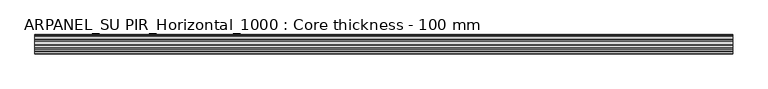
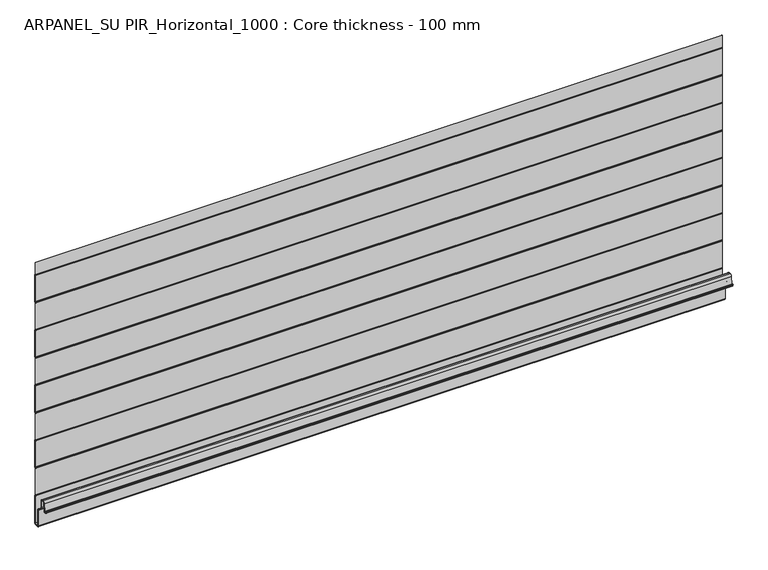
"""IFC4 building model written with IfcOpenShell, lengths in millimetres: plate geometry, ARPANEL_SU PIR_Horizontal_1000 : Core thickness - 100 mm."""

import ifcopenshell
import ifcopenshell.guid

model = None  # the IFC model being written
_history = None  # IfcOwnerHistory: only IFC2X3 demands one
_inside = {}  # id of a spatial element -> (the spatial element, [elements in it])
_under = {}  # id of a project, library or spatial element -> (it, [spatial elements below it])
_declared = {}  # id of a project -> (the project, [libraries it declares])
_typed = {}  # id of a type object -> (the type object, [elements of that type])
_made_of = {}  # id of a material, layer set ... -> (it, [elements and type objects made of it])


def new_model(schema):
    """Start an empty IFC model of exactly this schema.

    Asked for "IFC4X3", IfcOpenShell would pick the latest addendum, in which some entities
    have other attributes; the version numbers below select the first issue.
    IFC2X3 requires an IfcOwnerHistory on every rooted entity: one is made here for all.
    """
    global model, _history
    if schema == "IFC4X3":
        model = ifcopenshell.file(schema_version=(4, 3, 0, 0))
    else:
        model = ifcopenshell.file(schema=schema)
    _inside.clear()
    _under.clear()
    _declared.clear()
    _typed.clear()
    _made_of.clear()
    _history = None
    if model.schema == "IFC2X3":
        org = make("IfcOrganization", Name="unknown")
        user = make(
            "IfcPersonAndOrganization",
            ThePerson=make("IfcPerson", FamilyName="unknown"),
            TheOrganization=org,
        )
        app = make(
            "IfcApplication",
            ApplicationDeveloper=org,
            Version="unknown",
            ApplicationFullName="unknown",
            ApplicationIdentifier="unknown",
        )
        _history = make(
            "IfcOwnerHistory",
            OwningUser=user,
            OwningApplication=app,
            ChangeAction="ADDED",
            CreationDate=0,
        )
    return model


def make(cls, **values):
    """One entity of the class cls with the attributes given. An attribute that is None is left unset."""
    return model.create_entity(
        cls, **{name: value for name, value in values.items() if value is not None}
    )


def rooted(cls, **values):
    """An entity with a GlobalId (a new one), such as an element, a storey or a relation."""
    return make(cls, GlobalId=ifcopenshell.guid.new(), OwnerHistory=_history, **values)


def si_unit(unit_type, name, prefix=None):
    """IfcSIUnit, for example si_unit("LENGTHUNIT", "METRE", prefix="MILLI")."""
    return make("IfcSIUnit", UnitType=unit_type, Prefix=prefix, Name=name)


def assignment(units):
    """IfcUnitAssignment: the units of a project."""
    return None if units is None else make("IfcUnitAssignment", Units=units)


def point(xyz):
    """IfcCartesianPoint."""
    return None if xyz is None else make("IfcCartesianPoint", Coordinates=xyz)


def direction(xyz):
    """IfcDirection."""
    return None if xyz is None else make("IfcDirection", DirectionRatios=xyz)


def frame(location, z_axis=None, x_axis=None):
    """IfcAxis2Placement3D, a coordinate frame: its origin and axes. An axis left out is left unset."""
    return make(
        "IfcAxis2Placement3D",
        Location=point(location),
        Axis=direction(z_axis),
        RefDirection=direction(x_axis),
    )


def origin():
    """The frame at (0, 0, 0) with its axes left unset."""
    return frame((0.0, 0.0, 0.0))


def place(relative_to, where):
    """IfcLocalPlacement: puts the frame where relative to a parent placement (None: the world)."""
    return make(
        "IfcLocalPlacement", PlacementRelTo=relative_to, RelativePlacement=where
    )


def context(
    kind, dimensions, precision=None, world=None, true_north=None, identifier=None
):
    """IfcGeometricRepresentationContext, for example the 3D "Model" context."""
    return make(
        "IfcGeometricRepresentationContext",
        ContextIdentifier=identifier,
        ContextType=kind,
        CoordinateSpaceDimension=dimensions,
        Precision=precision,
        WorldCoordinateSystem=world,
        TrueNorth=true_north,
    )


def project(units=None, contexts=None):
    """IfcProject with its units and contexts."""
    return rooted(
        "IfcProject",
        Name="project",
        RepresentationContexts=contexts,
        UnitsInContext=assignment(units),
    )


def spatial(cls, under=None, at=None, **own):
    """A site, building, storey or space (cls), placed at a placement, below another one or the project."""
    s = rooted(cls, ObjectPlacement=at, **own)
    if under is not None:
        _under.setdefault(under.id(), (under, []))[1].append(s)
    return s


def polyline(points):
    """IfcPolyline through the points."""
    return make("IfcPolyline", Points=[point(p) for p in points])


def circle_curve(where, radius):
    """IfcCircle in the frame where."""
    return make("IfcCircle", Position=where, Radius=radius)


def shape(context_of_items, identifier, shape_type, items):
    """IfcShapeRepresentation: the items that make up one representation, for example the "Body"."""
    return make(
        "IfcShapeRepresentation",
        ContextOfItems=context_of_items,
        RepresentationIdentifier=identifier,
        RepresentationType=shape_type,
        Items=items,
    )


def source(mapping_origin, context_of_items, identifier, shape_type, items):
    """IfcRepresentationMap: a shape defined once, which mapped items show again and again."""
    return make(
        "IfcRepresentationMap",
        MappingOrigin=mapping_origin,
        MappedRepresentation=shape(context_of_items, identifier, shape_type, items),
    )


def transform(
    local_origin,
    x_axis=None,
    y_axis=None,
    z_axis=None,
    scale=None,
    scale2=None,
    scale3=None,
    uniform=True,
):
    """IfcCartesianTransformationOperator3D, or its non-uniform kind. x_axis, y_axis, z_axis: its Axis1, 2, 3."""
    if uniform:
        return make(
            "IfcCartesianTransformationOperator3D",
            Axis1=direction(x_axis),
            Axis2=direction(y_axis),
            LocalOrigin=point(local_origin),
            Scale=scale,
            Axis3=direction(z_axis),
        )
    return make(
        "IfcCartesianTransformationOperator3DnonUniform",
        Axis1=direction(x_axis),
        Axis2=direction(y_axis),
        LocalOrigin=point(local_origin),
        Scale=scale,
        Axis3=direction(z_axis),
        Scale2=scale2,
        Scale3=scale3,
    )


def mapped(mapping_source, mapping_target):
    """IfcMappedItem: shows the shape of a source again, moved by a transform."""
    return make(
        "IfcMappedItem", MappingSource=mapping_source, MappingTarget=mapping_target
    )


def made_of(thing, what):
    """Note that an element or type object is made of a material, layer set ...; save() writes the relation."""
    if what is not None:
        _made_of.setdefault(what.id(), (what, []))[1].append(thing)
    return thing


def element(
    cls,
    number,
    at=None,
    inside=None,
    cuts=None,
    type_object=None,
    material=None,
    context=None,
    identifier="Body",
    shape_type=None,
    held_by="IfcProductDefinitionShape",
    body=None,
    shapes=None,
    **own,
):
    """One element of the class cls, such as IfcWall. Its Tag is "e" and its number.

    at: its placement. inside: the storey or other place that contains it. cuts: it is an
    opening in that element (IfcRelVoidsElement). A single representation is given by context,
    identifier, shape_type and body (its items); several are given by shapes. held_by: the class
    of the entity that holds the representations. save() writes the other relations.
    """
    e = rooted(cls, Tag="e%d" % number, ObjectPlacement=at, **own)
    if body is not None:
        shapes = [shape(context, identifier, shape_type, body)]
    if shapes is not None:
        e.Representation = make(held_by, Representations=shapes)
    if inside is not None:
        _inside.setdefault(inside.id(), (inside, []))[1].append(e)
    if cuts is not None:
        rooted(
            "IfcRelVoidsElement", RelatingBuildingElement=cuts, RelatedOpeningElement=e
        )
    if type_object is not None:
        _typed.setdefault(type_object.id(), (type_object, []))[1].append(e)
    return made_of(e, material)


def aggregate(whole, parts):
    """IfcRelAggregates: a whole, such as a stair, and the parts it consists of."""
    return rooted("IfcRelAggregates", RelatingObject=whole, RelatedObjects=parts)


def save(model, path):
    """Write the relations noted so far, then the file.

    IfcRelAggregates (storeys below a building ...), IfcRelContainedInSpatialStructure (elements
    in a storey), IfcRelDefinesByType, IfcRelAssociatesMaterial and IfcRelDeclares: one each for
    every whole, place, type object, material and project.
    """
    for whole, parts in _under.values():
        aggregate(whole, parts)
    for where, things in _inside.values():
        rooted(
            "IfcRelContainedInSpatialStructure",
            RelatedElements=things,
            RelatingStructure=where,
        )
    for kind, things in _typed.values():
        rooted("IfcRelDefinesByType", RelatedObjects=things, RelatingType=kind)
    for what, things in _made_of.values():
        rooted("IfcRelAssociatesMaterial", RelatedObjects=things, RelatingMaterial=what)
    for by, libraries in _declared.values():
        rooted("IfcRelDeclares", RelatingContext=by, RelatedDefinitions=libraries)
    model.write(path)


def plane_surface(at):
    """IfcPlane: the flat surface through the origin of the frame at, square to its z axis."""
    return make("IfcPlane", Position=at)


def cylinder_surface(at, radius):
    """IfcCylindricalSurface: all points at the distance radius from the z axis of the frame at."""
    return make("IfcCylindricalSurface", Position=at, Radius=radius)


def revolved_surface(curve, axis_point, axis_direction):
    """IfcSurfaceOfRevolution: the curve turned about the line through axis_point along axis_direction."""
    return make(
        "IfcSurfaceOfRevolution",
        SweptCurve=make("IfcArbitraryOpenProfileDef", ProfileType="CURVE", Curve=curve),
        AxisPosition=make("IfcAxis1Placement", Location=point(axis_point), Axis=direction(axis_direction)),
    )


def advanced_brep(points, edges, surfaces, faces):
    """IfcAdvancedBrep: a solid bounded by faces that lie on surfaces and meet in shared edges.

    An edge is (start, end): straight between two places in points (the first is 0);
    or (start, end, curve); or (start, end, curve, False) where it runs against its curve.
    A face is (place in surfaces, loops), or (place, loops, False) where it looks against
    its surface's normal. A loop lists edges by number (the first is 1), with a minus sign
    where the edge is run from its end to its start. The first loop is the outer one.
    """
    corners = [point(p) for p in points]
    vertices = [make("IfcVertexPoint", VertexGeometry=c) for c in corners]
    made = []
    for start, end, *more in edges:
        made.append(
            make(
                "IfcEdgeCurve",
                EdgeStart=vertices[start],
                EdgeEnd=vertices[end],
                EdgeGeometry=more[0] if more else make("IfcPolyline", Points=[corners[start], corners[end]]),
                SameSense=more[1] if len(more) > 1 else True,
            )
        )
    hull = []
    for where, loops, *sense in faces:
        bounds = []
        for j, loop in enumerate(loops):
            ring = [make("IfcOrientedEdge", EdgeElement=made[abs(k) - 1], Orientation=k > 0) for k in loop]
            bounds.append(
                make(
                    "IfcFaceOuterBound" if j == 0 else "IfcFaceBound",
                    Bound=make("IfcEdgeLoop", EdgeList=ring),
                    Orientation=True,
                )
            )
        hull.append(make("IfcAdvancedFace", Bounds=bounds, FaceSurface=surfaces[where], SameSense=sense[0] if sense else True))
    return make("IfcAdvancedBrep", Outer=make("IfcClosedShell", CfsFaces=hull))


def arpanel_su_pir_horizontal_1000_core_thickness_100_mm_806f346c(model_context):
    return source(origin(), model_context, "Body", "AdvancedBrep", [
        advanced_brep(
        [(-620.0, -0.7003051, 477.7188889), (-620.0, -0.4016712, 476.667531), (-620.0, -0.0003051, 475.2470921), (-620.0, -0.0003051, 425.0873089), (-620.0, -0.4034608, 423.6679758), (-620.0, -0.7003051, 422.6155121), (-620.0, -0.7003051, 372.4557289), (-620.0, -0.4016712, 371.404371), (-620.0, -0.0003051, 369.9839321), (-620.0, -0.0003051, 319.8241489), (-620.0, -0.4034608, 318.4048158), (-620.0, -0.7003051, 317.3523521), (-620.0, -0.7003051, 267.1925689), (-620.0, -0.4016712, 266.141211), (-620.0, -0.0003051, 264.7207721), (-620.0, -0.0003051, 214.5609889), (-620.0, -0.4034608, 213.1416558), (-620.0, -0.7003051, 212.0891921), (-620.0, -0.7003051, 161.9294089), (-620.0, -0.4016712, 160.878051), (-620.0, -0.0003051, 159.4576121), (-620.0, -0.0003051, 109.2978289), (-620.0, -0.4034608, 107.8784958), (-620.0, -0.7003051, 106.8260321), (-620.0, -0.7003051, 56.6662489), (-620.0, -0.4016712, 55.614891), (-620.0, -0.0003051, 54.1944521), (-620.0, 0.0, 2.6273641), (-620.0, -2.63, -0.0026359), (-620.0, -7.37, -0.0026359), (-620.0, -10.0, 2.6273641), (-620.0, -10.0, 32.3778208), (-620.0, -11.7056943, 35.654429), (-620.0, -18.0256589, 40.0797158), (-620.0, -20.0, 43.8723898), (-620.0, -20.0, 55.9954321), (-620.0, -23.0, 58.9954321), (-620.0, -25.1843055, 58.9954321), (-620.0, -28.1728896, 56.2568993), (-620.0, -29.3853254, 42.398695), (-620.0, -34.1991613, 42.1885183), (-620.0, -34.6332818, 44.6505377), (-620.0, -33.8454356, 44.7894563), (-620.0, -33.4113151, 42.3274369), (-620.0, -30.1822811, 42.4684196), (-620.0, -28.9698453, 56.3266239), (-620.0, -25.1843055, 59.7954321), (-620.0, -23.0, 59.7954321), (-620.0, -19.2, 55.9954321), (-620.0, -19.2, 43.8723898), (-620.0, -17.5667978, 40.7350375), (-620.0, -11.2468331, 36.3097506), (-620.0, -9.2, 32.3778208), (-620.0, -9.2, 2.6273641), (-620.0, -7.37, 0.7973641), (-620.0, -2.63, 0.7973641), (-620.0, -0.8, 2.6273641), (-620.0, -0.8, 54.1944521), (-620.0, -1.0986697, 55.2458679), (-620.0, -1.5003051, 56.6662489), (-620.0, -1.5003051, 106.8260321), (-620.0, -1.0971009, 108.2454435), (-620.0, -0.8, 109.2978289), (-620.0, -0.8, 159.4576121), (-620.0, -1.0986697, 160.5090279), (-620.0, -1.5003051, 161.9294089), (-620.0, -1.5003051, 212.0891921), (-620.0, -1.0971009, 213.5086035), (-620.0, -0.8, 214.5609889), (-620.0, -0.8, 264.7207721), (-620.0, -1.0986697, 265.7721879), (-620.0, -1.5003051, 267.1925689), (-620.0, -1.5003051, 317.3523521), (-620.0, -1.0971009, 318.7717635), (-620.0, -0.8, 319.8241489), (-620.0, -0.8, 369.9839321), (-620.0, -1.0986697, 371.0353479), (-620.0, -1.5003051, 372.4557289), (-620.0, -1.5003051, 422.6155121), (-620.0, -1.0971009, 424.0349235), (-620.0, -0.8, 425.0873089), (-620.0, -0.8, 475.2470921), (-620.0, -1.0986697, 476.2985079), (-620.0, -1.5003051, 477.7188889), (-620.0, -1.5003051, 500.0), (-620.0, -0.7003051, 500.0), (620.0, -1.5003051, 477.7188889), (620.0, -1.0971009, 476.2994775), (620.0, -0.8, 475.2470921), (620.0, -0.8, 425.0873089), (620.0, -1.0986697, 424.035893), (620.0, -1.5003051, 422.6155121), (620.0, -1.5003051, 372.4557289), (620.0, -1.0971009, 371.0363175), (620.0, -0.8, 369.9839321), (620.0, -0.8, 319.8241489), (620.0, -1.0986697, 318.772733), (620.0, -1.5003051, 317.3523521), (620.0, -1.5003051, 267.1925689), (620.0, -1.0971009, 265.7731575), (620.0, -0.8, 264.7207721), (620.0, -0.8, 214.5609889), (620.0, -1.0986697, 213.509573), (620.0, -1.5003051, 212.0891921), (620.0, -1.5003051, 161.9294089), (620.0, -1.0971009, 160.5099975), (620.0, -0.8, 159.4576121), (620.0, -0.8, 109.2978289), (620.0, -1.0986697, 108.246413), (620.0, -1.5003051, 106.8260321), (620.0, -1.5003051, 56.6662489), (620.0, -1.0971009, 55.2468375), (620.0, -0.8, 54.1944521), (620.0, -0.8, 2.6273641), (620.0, -2.63, 0.7973641), (620.0, -7.37, 0.7973641), (620.0, -9.2, 2.6273641), (620.0, -9.2, 32.3778208), (620.0, -11.2468331, 36.3097506), (620.0, -17.5667978, 40.7350375), (620.0, -19.2, 43.8723898), (620.0, -19.2, 55.9954321), (620.0, -23.0, 59.7954321), (620.0, -25.1843055, 59.7954321), (620.0, -28.9698453, 56.3266239), (620.0, -30.1822811, 42.4684196), (620.0, -33.4113151, 42.3274369), (620.0, -33.8454356, 44.7894563), (620.0, -34.6332818, 44.6505377), (620.0, -34.1991613, 42.1885183), (620.0, -29.3853254, 42.398695), (620.0, -28.1728896, 56.2568993), (620.0, -25.1843055, 58.9954321), (620.0, -23.0, 58.9954321), (620.0, -20.0, 55.9954321), (620.0, -20.0, 43.8723898), (620.0, -18.0256589, 40.0797158), (620.0, -11.7056943, 35.654429), (620.0, -10.0, 32.3778208), (620.0, -10.0, 2.6273641), (620.0, -7.37, -0.0026359), (620.0, -2.63, -0.0026359), (620.0, 0.0, 2.6273641), (620.0, 0.0, 54.1944521), (620.0, -0.4034608, 55.6137852), (620.0, -0.7003051, 56.6662489), (620.0, -0.7003051, 106.8260321), (620.0, -0.4016712, 107.8773899), (620.0, -0.0003051, 109.2978289), (620.0, -0.0003051, 159.4576121), (620.0, -0.4034608, 160.8769452), (620.0, -0.7003051, 161.9294089), (620.0, -0.7003051, 212.0891921), (620.0, -0.4016712, 213.1405499), (620.0, -0.0003051, 214.5609889), (620.0, -0.0003051, 264.7207721), (620.0, -0.4034608, 266.1401052), (620.0, -0.7003051, 267.1925689), (620.0, -0.7003051, 317.3523521), (620.0, -0.4016712, 318.4037099), (620.0, -0.0003051, 319.8241489), (620.0, -0.0003051, 369.9839321), (620.0, -0.4034608, 371.4032652), (620.0, -0.7003051, 372.4557289), (620.0, -0.7003051, 422.6155121), (620.0, -0.4016712, 423.6668699), (620.0, -0.0003051, 425.0873089), (620.0, -0.0003051, 475.2470921), (620.0, -0.4034608, 476.6664252), (620.0, -0.7003051, 477.7188889), (620.0, -0.7003051, 500.0), (620.0, -1.5003051, 500.0)],
        [
            (0, 1, circle_curve(frame((-620.0, 1.2996949, 477.7188889), z_axis=(1.0, 0.0, 0.0), x_axis=(0.0, 0.0, -1.0)), 2.0)),
            (1, 2, circle_curve(frame((-620.0, -2.7003051, 475.2470921), z_axis=(-1.0, 0.0, 0.0), x_axis=(0.0, 0.0, -1.0)), 2.7)),
            (2, 3),
            (3, 4, circle_curve(frame((-620.0, -2.7003051, 425.0873089), z_axis=(-1.0, 0.0, 0.0), x_axis=(0.0, 0.0, -1.0)), 2.7)),
            (4, 5, circle_curve(frame((-620.0, 1.2996949, 422.6155121), z_axis=(1.0, 0.0, 0.0), x_axis=(0.0, 0.0, -1.0)), 2.0)),
            (5, 6),
            (6, 7, circle_curve(frame((-620.0, 1.2996949, 372.4557289), z_axis=(1.0, 0.0, 0.0), x_axis=(0.0, 0.0, -1.0)), 2.0)),
            (7, 8, circle_curve(frame((-620.0, -2.7003051, 369.9839321), z_axis=(-1.0, 0.0, 0.0), x_axis=(0.0, 0.0, -1.0)), 2.7)),
            (8, 9),
            (9, 10, circle_curve(frame((-620.0, -2.7003051, 319.8241489), z_axis=(-1.0, 0.0, 0.0), x_axis=(0.0, 0.0, -1.0)), 2.7)),
            (10, 11, circle_curve(frame((-620.0, 1.2996949, 317.3523521), z_axis=(1.0, 0.0, 0.0), x_axis=(0.0, 0.0, -1.0)), 2.0)),
            (11, 12),
            (12, 13, circle_curve(frame((-620.0, 1.2996949, 267.1925689), z_axis=(1.0, 0.0, 0.0), x_axis=(0.0, 0.0, -1.0)), 2.0)),
            (13, 14, circle_curve(frame((-620.0, -2.7003051, 264.7207721), z_axis=(-1.0, 0.0, 0.0), x_axis=(0.0, 0.0, -1.0)), 2.7)),
            (14, 15),
            (15, 16, circle_curve(frame((-620.0, -2.7003051, 214.5609889), z_axis=(-1.0, 0.0, 0.0), x_axis=(0.0, 0.0, -1.0)), 2.7)),
            (16, 17, circle_curve(frame((-620.0, 1.2996949, 212.0891921), z_axis=(1.0, 0.0, 0.0), x_axis=(0.0, 0.0, -1.0)), 2.0)),
            (17, 18),
            (18, 19, circle_curve(frame((-620.0, 1.2996949, 161.9294089), z_axis=(1.0, 0.0, 0.0), x_axis=(0.0, 0.0, -1.0)), 2.0)),
            (19, 20, circle_curve(frame((-620.0, -2.7003051, 159.4576121), z_axis=(-1.0, 0.0, 0.0), x_axis=(0.0, 0.0, -1.0)), 2.7)),
            (20, 21),
            (21, 22, circle_curve(frame((-620.0, -2.7003051, 109.2978289), z_axis=(-1.0, 0.0, 0.0), x_axis=(0.0, 0.0, -1.0)), 2.7)),
            (22, 23, circle_curve(frame((-620.0, 1.2996949, 106.8260321), z_axis=(1.0, 0.0, 0.0), x_axis=(0.0, 0.0, -1.0)), 2.0)),
            (23, 24),
            (24, 25, circle_curve(frame((-620.0, 1.2996949, 56.6662489), z_axis=(1.0, 0.0, 0.0), x_axis=(0.0, 0.0, -1.0)), 2.0)),
            (25, 26, circle_curve(frame((-620.0, -2.7003051, 54.1944521), z_axis=(-1.0, 0.0, 0.0), x_axis=(0.0, 0.0, -1.0)), 2.7)),
            (26, 27),
            (27, 28, circle_curve(frame((-620.0, -2.63, 2.6273641), z_axis=(-1.0, 0.0, 0.0), x_axis=(0.0, 0.0, -1.0)), 2.63)),
            (28, 29),
            (29, 30, circle_curve(frame((-620.0, -7.37, 2.6273641), z_axis=(-1.0, 0.0, 0.0), x_axis=(0.0, 0.0, -1.0)), 2.63)),
            (30, 31),
            (31, 32, circle_curve(frame((-620.0, -14.0, 32.3778208), z_axis=(1.0, 0.0, 0.0), x_axis=(0.0, 0.0, -1.0)), 4.0)),
            (32, 33),
            (33, 34, circle_curve(frame((-620.0, -15.37, 43.8723898), z_axis=(-1.0, 0.0, 0.0), x_axis=(0.0, 0.0, -1.0)), 4.63)),
            (34, 35),
            (35, 36, circle_curve(frame((-620.0, -23.0, 55.9954321), z_axis=(1.0, 0.0, 0.0), x_axis=(0.0, 0.0, -1.0)), 3.0)),
            (36, 37),
            (37, 38, circle_curve(frame((-620.0, -25.1843055, 55.9954321), z_axis=(1.0, 0.0, 0.0), x_axis=(0.0, 0.0, -1.0)), 3.0)),
            (38, 39),
            (39, 40, circle_curve(frame((-620.0, -31.8060785, 42.6104834), z_axis=(-1.0, 0.0, 0.0), x_axis=(0.0, 0.0, -1.0)), 2.43)),
            (40, 41),
            (41, 42),
            (42, 43),
            (43, 44, circle_curve(frame((-620.0, -31.8060785, 42.6104834), z_axis=(1.0, 0.0, 0.0), x_axis=(0.0, 0.0, -1.0)), 1.63)),
            (44, 45),
            (45, 46, circle_curve(frame((-620.0, -25.1843055, 55.9954321), z_axis=(-1.0, 0.0, 0.0), x_axis=(0.0, 0.0, -1.0)), 3.8)),
            (46, 47),
            (47, 48, circle_curve(frame((-620.0, -23.0, 55.9954321), z_axis=(-1.0, 0.0, 0.0), x_axis=(0.0, 0.0, -1.0)), 3.8)),
            (48, 49),
            (49, 50, circle_curve(frame((-620.0, -15.37, 43.8723898), z_axis=(1.0, 0.0, 0.0), x_axis=(0.0, 0.0, -1.0)), 3.83)),
            (50, 51),
            (51, 52, circle_curve(frame((-620.0, -14.0, 32.3778208), z_axis=(-1.0, 0.0, 0.0), x_axis=(0.0, 0.0, -1.0)), 4.8)),
            (52, 53),
            (53, 54, circle_curve(frame((-620.0, -7.37, 2.6273641), z_axis=(1.0, 0.0, 0.0), x_axis=(0.0, 0.0, -1.0)), 1.83)),
            (54, 55),
            (55, 56, circle_curve(frame((-620.0, -2.63, 2.6273641), z_axis=(1.0, 0.0, 0.0), x_axis=(0.0, 0.0, -1.0)), 1.83)),
            (56, 57),
            (57, 58, circle_curve(frame((-620.0, -2.8, 54.1944521), z_axis=(1.0, 0.0, 0.0), x_axis=(0.0, 0.0, -1.0)), 2.0)),
            (58, 59, circle_curve(frame((-620.0, 1.1996949, 56.6662489), z_axis=(-1.0, 0.0, 0.0), x_axis=(0.0, 0.0, -1.0)), 2.7)),
            (59, 60),
            (60, 61, circle_curve(frame((-620.0, 1.1996949, 106.8260321), z_axis=(-1.0, 0.0, 0.0), x_axis=(0.0, 0.0, -1.0)), 2.7)),
            (61, 62, circle_curve(frame((-620.0, -2.8, 109.2978289), z_axis=(1.0, 0.0, 0.0), x_axis=(0.0, 0.0, -1.0)), 2.0)),
            (62, 63),
            (63, 64, circle_curve(frame((-620.0, -2.8, 159.4576121), z_axis=(1.0, 0.0, 0.0), x_axis=(0.0, 0.0, -1.0)), 2.0)),
            (64, 65, circle_curve(frame((-620.0, 1.1996949, 161.9294089), z_axis=(-1.0, 0.0, 0.0), x_axis=(0.0, 0.0, -1.0)), 2.7)),
            (65, 66),
            (66, 67, circle_curve(frame((-620.0, 1.1996949, 212.0891921), z_axis=(-1.0, 0.0, 0.0), x_axis=(0.0, 0.0, -1.0)), 2.7)),
            (67, 68, circle_curve(frame((-620.0, -2.8, 214.5609889), z_axis=(1.0, 0.0, 0.0), x_axis=(0.0, 0.0, -1.0)), 2.0)),
            (68, 69),
            (69, 70, circle_curve(frame((-620.0, -2.8, 264.7207721), z_axis=(1.0, 0.0, 0.0), x_axis=(0.0, 0.0, -1.0)), 2.0)),
            (70, 71, circle_curve(frame((-620.0, 1.1996949, 267.1925689), z_axis=(-1.0, 0.0, 0.0), x_axis=(0.0, 0.0, -1.0)), 2.7)),
            (71, 72),
            (72, 73, circle_curve(frame((-620.0, 1.1996949, 317.3523521), z_axis=(-1.0, 0.0, 0.0), x_axis=(0.0, 0.0, -1.0)), 2.7)),
            (73, 74, circle_curve(frame((-620.0, -2.8, 319.8241489), z_axis=(1.0, 0.0, 0.0), x_axis=(0.0, 0.0, -1.0)), 2.0)),
            (74, 75),
            (75, 76, circle_curve(frame((-620.0, -2.8, 369.9839321), z_axis=(1.0, 0.0, 0.0), x_axis=(0.0, 0.0, -1.0)), 2.0)),
            (76, 77, circle_curve(frame((-620.0, 1.1996949, 372.4557289), z_axis=(-1.0, 0.0, 0.0), x_axis=(0.0, 0.0, -1.0)), 2.7)),
            (77, 78),
            (78, 79, circle_curve(frame((-620.0, 1.1996949, 422.6155121), z_axis=(-1.0, 0.0, 0.0), x_axis=(0.0, 0.0, -1.0)), 2.7)),
            (79, 80, circle_curve(frame((-620.0, -2.8, 425.0873089), z_axis=(1.0, 0.0, 0.0), x_axis=(0.0, 0.0, -1.0)), 2.0)),
            (80, 81),
            (81, 82, circle_curve(frame((-620.0, -2.8, 475.2470921), z_axis=(1.0, 0.0, 0.0), x_axis=(0.0, 0.0, -1.0)), 2.0)),
            (82, 83, circle_curve(frame((-620.0, 1.1996949, 477.7188889), z_axis=(-1.0, 0.0, 0.0), x_axis=(0.0, 0.0, -1.0)), 2.7)),
            (83, 84),
            (84, 85),
            (85, 0),
            (86, 87, circle_curve(frame((620.0, 1.1996949, 477.7188889), z_axis=(1.0, 0.0, 0.0), x_axis=(0.0, 0.0, -1.0)), 2.7)),
            (87, 88, circle_curve(frame((620.0, -2.8, 475.2470921), z_axis=(-1.0, 0.0, 0.0), x_axis=(0.0, 0.0, -1.0)), 2.0)),
            (88, 89),
            (89, 90, circle_curve(frame((620.0, -2.8, 425.0873089), z_axis=(-1.0, 0.0, 0.0), x_axis=(0.0, 0.0, -1.0)), 2.0)),
            (90, 91, circle_curve(frame((620.0, 1.1996949, 422.6155121), z_axis=(1.0, 0.0, 0.0), x_axis=(0.0, 0.0, -1.0)), 2.7)),
            (91, 92),
            (92, 93, circle_curve(frame((620.0, 1.1996949, 372.4557289), z_axis=(1.0, 0.0, 0.0), x_axis=(0.0, 0.0, -1.0)), 2.7)),
            (93, 94, circle_curve(frame((620.0, -2.8, 369.9839321), z_axis=(-1.0, 0.0, 0.0), x_axis=(0.0, 0.0, -1.0)), 2.0)),
            (94, 95),
            (95, 96, circle_curve(frame((620.0, -2.8, 319.8241489), z_axis=(-1.0, 0.0, 0.0), x_axis=(0.0, 0.0, -1.0)), 2.0)),
            (96, 97, circle_curve(frame((620.0, 1.1996949, 317.3523521), z_axis=(1.0, 0.0, 0.0), x_axis=(0.0, 0.0, -1.0)), 2.7)),
            (97, 98),
            (98, 99, circle_curve(frame((620.0, 1.1996949, 267.1925689), z_axis=(1.0, 0.0, 0.0), x_axis=(0.0, 0.0, -1.0)), 2.7)),
            (99, 100, circle_curve(frame((620.0, -2.8, 264.7207721), z_axis=(-1.0, 0.0, 0.0), x_axis=(0.0, 0.0, -1.0)), 2.0)),
            (100, 101),
            (101, 102, circle_curve(frame((620.0, -2.8, 214.5609889), z_axis=(-1.0, 0.0, 0.0), x_axis=(0.0, 0.0, -1.0)), 2.0)),
            (102, 103, circle_curve(frame((620.0, 1.1996949, 212.0891921), z_axis=(1.0, 0.0, 0.0), x_axis=(0.0, 0.0, -1.0)), 2.7)),
            (103, 104),
            (104, 105, circle_curve(frame((620.0, 1.1996949, 161.9294089), z_axis=(1.0, 0.0, 0.0), x_axis=(0.0, 0.0, -1.0)), 2.7)),
            (105, 106, circle_curve(frame((620.0, -2.8, 159.4576121), z_axis=(-1.0, 0.0, 0.0), x_axis=(0.0, 0.0, -1.0)), 2.0)),
            (106, 107),
            (107, 108, circle_curve(frame((620.0, -2.8, 109.2978289), z_axis=(-1.0, 0.0, 0.0), x_axis=(0.0, 0.0, -1.0)), 2.0)),
            (108, 109, circle_curve(frame((620.0, 1.1996949, 106.8260321), z_axis=(1.0, 0.0, 0.0), x_axis=(0.0, 0.0, -1.0)), 2.7)),
            (109, 110),
            (110, 111, circle_curve(frame((620.0, 1.1996949, 56.6662489), z_axis=(1.0, 0.0, 0.0), x_axis=(0.0, 0.0, -1.0)), 2.7)),
            (111, 112, circle_curve(frame((620.0, -2.8, 54.1944521), z_axis=(-1.0, 0.0, 0.0), x_axis=(0.0, 0.0, -1.0)), 2.0)),
            (112, 113),
            (113, 114, circle_curve(frame((620.0, -2.63, 2.6273641), z_axis=(-1.0, 0.0, 0.0), x_axis=(0.0, 0.0, -1.0)), 1.83)),
            (114, 115),
            (115, 116, circle_curve(frame((620.0, -7.37, 2.6273641), z_axis=(-1.0, 0.0, 0.0), x_axis=(0.0, 0.0, -1.0)), 1.83)),
            (116, 117),
            (117, 118, circle_curve(frame((620.0, -14.0, 32.3778208), z_axis=(1.0, 0.0, 0.0), x_axis=(0.0, 0.0, -1.0)), 4.8)),
            (118, 119),
            (119, 120, circle_curve(frame((620.0, -15.37, 43.8723898), z_axis=(-1.0, 0.0, 0.0), x_axis=(0.0, 0.0, -1.0)), 3.83)),
            (120, 121),
            (121, 122, circle_curve(frame((620.0, -23.0, 55.9954321), z_axis=(1.0, 0.0, 0.0), x_axis=(0.0, 0.0, -1.0)), 3.8)),
            (122, 123),
            (123, 124, circle_curve(frame((620.0, -25.1843055, 55.9954321), z_axis=(1.0, 0.0, 0.0), x_axis=(0.0, 0.0, -1.0)), 3.8)),
            (124, 125),
            (125, 126, circle_curve(frame((620.0, -31.8060785, 42.6104834), z_axis=(-1.0, 0.0, 0.0), x_axis=(0.0, 0.0, -1.0)), 1.63)),
            (126, 127),
            (127, 128),
            (128, 129),
            (129, 130, circle_curve(frame((620.0, -31.8060785, 42.6104834), z_axis=(1.0, 0.0, 0.0), x_axis=(0.0, 0.0, -1.0)), 2.43)),
            (130, 131),
            (131, 132, circle_curve(frame((620.0, -25.1843055, 55.9954321), z_axis=(-1.0, 0.0, 0.0), x_axis=(0.0, 0.0, -1.0)), 3.0)),
            (132, 133),
            (133, 134, circle_curve(frame((620.0, -23.0, 55.9954321), z_axis=(-1.0, 0.0, 0.0), x_axis=(0.0, 0.0, -1.0)), 3.0)),
            (134, 135),
            (135, 136, circle_curve(frame((620.0, -15.37, 43.8723898), z_axis=(1.0, 0.0, 0.0), x_axis=(0.0, 0.0, -1.0)), 4.63)),
            (136, 137),
            (137, 138, circle_curve(frame((620.0, -14.0, 32.3778208), z_axis=(-1.0, 0.0, 0.0), x_axis=(0.0, 0.0, -1.0)), 4.0)),
            (138, 139),
            (139, 140, circle_curve(frame((620.0, -7.37, 2.6273641), z_axis=(1.0, 0.0, 0.0), x_axis=(0.0, 0.0, -1.0)), 2.63)),
            (140, 141),
            (141, 142, circle_curve(frame((620.0, -2.63, 2.6273641), z_axis=(1.0, 0.0, 0.0), x_axis=(0.0, 0.0, -1.0)), 2.63)),
            (142, 143),
            (143, 144, circle_curve(frame((620.0, -2.7003051, 54.1944521), z_axis=(1.0, 0.0, 0.0), x_axis=(0.0, 0.0, -1.0)), 2.7)),
            (144, 145, circle_curve(frame((620.0, 1.2996949, 56.6662489), z_axis=(-1.0, 0.0, 0.0), x_axis=(0.0, 0.0, -1.0)), 2.0)),
            (145, 146),
            (146, 147, circle_curve(frame((620.0, 1.2996949, 106.8260321), z_axis=(-1.0, 0.0, 0.0), x_axis=(0.0, 0.0, -1.0)), 2.0)),
            (147, 148, circle_curve(frame((620.0, -2.7003051, 109.2978289), z_axis=(1.0, 0.0, 0.0), x_axis=(0.0, 0.0, -1.0)), 2.7)),
            (148, 149),
            (149, 150, circle_curve(frame((620.0, -2.7003051, 159.4576121), z_axis=(1.0, 0.0, 0.0), x_axis=(0.0, 0.0, -1.0)), 2.7)),
            (150, 151, circle_curve(frame((620.0, 1.2996949, 161.9294089), z_axis=(-1.0, 0.0, 0.0), x_axis=(0.0, 0.0, -1.0)), 2.0)),
            (151, 152),
            (152, 153, circle_curve(frame((620.0, 1.2996949, 212.0891921), z_axis=(-1.0, 0.0, 0.0), x_axis=(0.0, 0.0, -1.0)), 2.0)),
            (153, 154, circle_curve(frame((620.0, -2.7003051, 214.5609889), z_axis=(1.0, 0.0, 0.0), x_axis=(0.0, 0.0, -1.0)), 2.7)),
            (154, 155),
            (155, 156, circle_curve(frame((620.0, -2.7003051, 264.7207721), z_axis=(1.0, 0.0, 0.0), x_axis=(0.0, 0.0, -1.0)), 2.7)),
            (156, 157, circle_curve(frame((620.0, 1.2996949, 267.1925689), z_axis=(-1.0, 0.0, 0.0), x_axis=(0.0, 0.0, -1.0)), 2.0)),
            (157, 158),
            (158, 159, circle_curve(frame((620.0, 1.2996949, 317.3523521), z_axis=(-1.0, 0.0, 0.0), x_axis=(0.0, 0.0, -1.0)), 2.0)),
            (159, 160, circle_curve(frame((620.0, -2.7003051, 319.8241489), z_axis=(1.0, 0.0, 0.0), x_axis=(0.0, 0.0, -1.0)), 2.7)),
            (160, 161),
            (161, 162, circle_curve(frame((620.0, -2.7003051, 369.9839321), z_axis=(1.0, 0.0, 0.0), x_axis=(0.0, 0.0, -1.0)), 2.7)),
            (162, 163, circle_curve(frame((620.0, 1.2996949, 372.4557289), z_axis=(-1.0, 0.0, 0.0), x_axis=(0.0, 0.0, -1.0)), 2.0)),
            (163, 164),
            (164, 165, circle_curve(frame((620.0, 1.2996949, 422.6155121), z_axis=(-1.0, 0.0, 0.0), x_axis=(0.0, 0.0, -1.0)), 2.0)),
            (165, 166, circle_curve(frame((620.0, -2.7003051, 425.0873089), z_axis=(1.0, 0.0, 0.0), x_axis=(0.0, 0.0, -1.0)), 2.7)),
            (166, 167),
            (167, 168, circle_curve(frame((620.0, -2.7003051, 475.2470921), z_axis=(1.0, 0.0, 0.0), x_axis=(0.0, 0.0, -1.0)), 2.7)),
            (168, 169, circle_curve(frame((620.0, 1.2996949, 477.7188889), z_axis=(-1.0, 0.0, 0.0), x_axis=(0.0, 0.0, -1.0)), 2.0)),
            (169, 170),
            (170, 171),
            (171, 86),
            (83, 86),
            (171, 84),
            (82, 87),
            (81, 88),
            (80, 89),
            (79, 90),
            (78, 91),
            (77, 92),
            (76, 93),
            (75, 94),
            (74, 95),
            (73, 96),
            (72, 97),
            (71, 98),
            (70, 99),
            (69, 100),
            (68, 101),
            (67, 102),
            (66, 103),
            (65, 104),
            (64, 105),
            (63, 106),
            (62, 107),
            (61, 108),
            (60, 109),
            (59, 110),
            (58, 111),
            (57, 112),
            (25, 144),
            (143, 26),
            (24, 145),
            (23, 146),
            (22, 147),
            (21, 148),
            (20, 149),
            (19, 150),
            (18, 151),
            (17, 152),
            (16, 153),
            (15, 154),
            (14, 155),
            (13, 156),
            (12, 157),
            (11, 158),
            (10, 159),
            (9, 160),
            (8, 161),
            (7, 162),
            (6, 163),
            (5, 164),
            (4, 165),
            (3, 166),
            (2, 167),
            (1, 168),
            (0, 169),
            (85, 170),
            (56, 113),
            (55, 114),
            (54, 115),
            (53, 116),
            (52, 117),
            (51, 118),
            (50, 119),
            (49, 120),
            (48, 121),
            (47, 122),
            (46, 123),
            (45, 124),
            (44, 125),
            (43, 126),
            (42, 127),
            (41, 128),
            (40, 129),
            (39, 130),
            (38, 131),
            (37, 132),
            (36, 133),
            (35, 134),
            (34, 135),
            (33, 136),
            (32, 137),
            (31, 138),
            (30, 139),
            (29, 140),
            (28, 141),
            (27, 142),
        ],
        [
            plane_surface(frame((-620.0, 0.0, 0.0), z_axis=(-1.0, 0.0, 0.0), x_axis=(0.0, -1.0, 0.0))),
            plane_surface(frame((620.0, 0.0, 0.0), z_axis=(1.0, 0.0, 0.0), x_axis=(0.0, -1.0, 0.0))),
            plane_surface(frame((-620.0, -1.5003051, 477.7188889), z_axis=(0.0, -1.0, 0.0), x_axis=(1.0, 0.0, 0.0))),
            cylinder_surface(frame((-620.0, 1.1996949, 477.7188889), z_axis=(-1.0, 0.0, 0.0), x_axis=(0.0, 0.0, -1.0)), 2.7),
            revolved_surface(polyline([(620.0, -2.8, 473.2470921), (-620.0, -2.8, 473.2470921)]), (-620.0, -2.8, 475.2470921), (1.0, 0.0, 0.0)),
            plane_surface(frame((-620.0, -0.8, 425.0873089), z_axis=(0.0, -1.0, 0.0), x_axis=(1.0, 0.0, 0.0))),
            revolved_surface(polyline([(620.0, -2.8, 423.0873089), (-620.0, -2.8, 423.0873089)]), (-620.0, -2.8, 425.0873089), (1.0, 0.0, 0.0)),
            cylinder_surface(frame((-620.0, 1.1996949, 422.6155121), z_axis=(-1.0, 0.0, 0.0), x_axis=(0.0, 0.0, -1.0)), 2.7),
            plane_surface(frame((-620.0, -1.5003051, 372.4557289), z_axis=(0.0, -1.0, 0.0), x_axis=(1.0, 0.0, 0.0))),
            cylinder_surface(frame((-620.0, 1.1996949, 372.4557289), z_axis=(-1.0, 0.0, 0.0), x_axis=(0.0, 0.0, -1.0)), 2.7),
            revolved_surface(polyline([(620.0, -2.8, 367.9839321), (-620.0, -2.8, 367.9839321)]), (-620.0, -2.8, 369.9839321), (1.0, 0.0, 0.0)),
            plane_surface(frame((-620.0, -0.8, 319.8241489), z_axis=(0.0, -1.0, 0.0), x_axis=(1.0, 0.0, 0.0))),
            revolved_surface(polyline([(620.0, -2.8, 317.8241489), (-620.0, -2.8, 317.8241489)]), (-620.0, -2.8, 319.8241489), (1.0, 0.0, 0.0)),
            cylinder_surface(frame((-620.0, 1.1996949, 317.3523521), z_axis=(-1.0, 0.0, 0.0), x_axis=(0.0, 0.0, -1.0)), 2.7),
            plane_surface(frame((-620.0, -1.5003051, 267.1925689), z_axis=(0.0, -1.0, 0.0), x_axis=(1.0, 0.0, 0.0))),
            cylinder_surface(frame((-620.0, 1.1996949, 267.1925689), z_axis=(-1.0, 0.0, 0.0), x_axis=(0.0, 0.0, -1.0)), 2.7),
            revolved_surface(polyline([(620.0, -2.8, 262.7207721), (-620.0, -2.8, 262.7207721)]), (-620.0, -2.8, 264.7207721), (1.0, 0.0, 0.0)),
            plane_surface(frame((-620.0, -0.8, 214.5609889), z_axis=(0.0, -1.0, 0.0), x_axis=(1.0, 0.0, 0.0))),
            revolved_surface(polyline([(620.0, -2.8, 212.5609889), (-620.0, -2.8, 212.5609889)]), (-620.0, -2.8, 214.5609889), (1.0, 0.0, 0.0)),
            cylinder_surface(frame((-620.0, 1.1996949, 212.0891921), z_axis=(-1.0, 0.0, 0.0), x_axis=(0.0, 0.0, -1.0)), 2.7),
            plane_surface(frame((-620.0, -1.5003051, 161.9294089), z_axis=(0.0, -1.0, 0.0), x_axis=(1.0, 0.0, 0.0))),
            cylinder_surface(frame((-620.0, 1.1996949, 161.9294089), z_axis=(-1.0, 0.0, 0.0), x_axis=(0.0, 0.0, -1.0)), 2.7),
            revolved_surface(polyline([(620.0, -2.8, 157.4576121), (-620.0, -2.8, 157.4576121)]), (-620.0, -2.8, 159.4576121), (1.0, 0.0, 0.0)),
            plane_surface(frame((-620.0, -0.8, 109.2978289), z_axis=(0.0, -1.0, 0.0), x_axis=(1.0, 0.0, 0.0))),
            revolved_surface(polyline([(620.0, -2.8, 107.2978289), (-620.0, -2.8, 107.2978289)]), (-620.0, -2.8, 109.2978289), (1.0, 0.0, 0.0)),
            cylinder_surface(frame((-620.0, 1.1996949, 106.8260321), z_axis=(-1.0, 0.0, 0.0), x_axis=(0.0, 0.0, -1.0)), 2.7),
            plane_surface(frame((-620.0, -1.5003051, 56.6662489), z_axis=(0.0, -1.0, 0.0), x_axis=(1.0, 0.0, 0.0))),
            cylinder_surface(frame((-620.0, 1.1996949, 56.6662489), z_axis=(-1.0, 0.0, 0.0), x_axis=(0.0, 0.0, -1.0)), 2.7),
            revolved_surface(polyline([(620.0, -2.8, 52.1944521), (-620.0, -2.8, 52.1944521)]), (-620.0, -2.8, 54.1944521), (1.0, 0.0, 0.0)),
            cylinder_surface(frame((-620.0, -2.7003051, 54.1944521), z_axis=(-1.0, 0.0, 0.0), x_axis=(0.0, 0.0, -1.0)), 2.7),
            revolved_surface(polyline([(620.0, 1.2996949, 54.6662489), (-620.0, 1.2996949, 54.6662489)]), (-620.0, 1.2996949, 56.6662489), (1.0, 0.0, 0.0)),
            plane_surface(frame((-620.0, -0.7003051, 106.8260321), z_axis=(0.0, 1.0, 0.0), x_axis=(1.0, 0.0, 0.0))),
            revolved_surface(polyline([(620.0, 1.2996949, 104.8260321), (-620.0, 1.2996949, 104.8260321)]), (-620.0, 1.2996949, 106.8260321), (1.0, 0.0, 0.0)),
            cylinder_surface(frame((-620.0, -2.7003051, 109.2978289), z_axis=(-1.0, 0.0, 0.0), x_axis=(0.0, 0.0, -1.0)), 2.7),
            plane_surface(frame((-620.0, -0.0003051, 159.4576121), z_axis=(0.0, 1.0, 0.0), x_axis=(1.0, 0.0, 0.0))),
            cylinder_surface(frame((-620.0, -2.7003051, 159.4576121), z_axis=(-1.0, 0.0, 0.0), x_axis=(0.0, 0.0, -1.0)), 2.7),
            revolved_surface(polyline([(620.0, 1.2996949, 159.9294089), (-620.0, 1.2996949, 159.9294089)]), (-620.0, 1.2996949, 161.9294089), (1.0, 0.0, 0.0)),
            plane_surface(frame((-620.0, -0.7003051, 212.0891921), z_axis=(0.0, 1.0, 0.0), x_axis=(1.0, 0.0, 0.0))),
            revolved_surface(polyline([(620.0, 1.2996949, 210.0891921), (-620.0, 1.2996949, 210.0891921)]), (-620.0, 1.2996949, 212.0891921), (1.0, 0.0, 0.0)),
            cylinder_surface(frame((-620.0, -2.7003051, 214.5609889), z_axis=(-1.0, 0.0, 0.0), x_axis=(0.0, 0.0, -1.0)), 2.7),
            plane_surface(frame((-620.0, -0.0003051, 264.7207721), z_axis=(0.0, 1.0, 0.0), x_axis=(1.0, 0.0, 0.0))),
            cylinder_surface(frame((-620.0, -2.7003051, 264.7207721), z_axis=(-1.0, 0.0, 0.0), x_axis=(0.0, 0.0, -1.0)), 2.7),
            revolved_surface(polyline([(620.0, 1.2996949, 265.1925689), (-620.0, 1.2996949, 265.1925689)]), (-620.0, 1.2996949, 267.1925689), (1.0, 0.0, 0.0)),
            plane_surface(frame((-620.0, -0.7003051, 317.3523521), z_axis=(0.0, 1.0, 0.0), x_axis=(1.0, 0.0, 0.0))),
            revolved_surface(polyline([(620.0, 1.2996949, 315.3523521), (-620.0, 1.2996949, 315.3523521)]), (-620.0, 1.2996949, 317.3523521), (1.0, 0.0, 0.0)),
            cylinder_surface(frame((-620.0, -2.7003051, 319.8241489), z_axis=(-1.0, 0.0, 0.0), x_axis=(0.0, 0.0, -1.0)), 2.7),
            plane_surface(frame((-620.0, -0.0003051, 369.9839321), z_axis=(0.0, 1.0, 0.0), x_axis=(1.0, 0.0, 0.0))),
            cylinder_surface(frame((-620.0, -2.7003051, 369.9839321), z_axis=(-1.0, 0.0, 0.0), x_axis=(0.0, 0.0, -1.0)), 2.7),
            revolved_surface(polyline([(620.0, 1.2996949, 370.4557289), (-620.0, 1.2996949, 370.4557289)]), (-620.0, 1.2996949, 372.4557289), (1.0, 0.0, 0.0)),
            plane_surface(frame((-620.0, -0.7003051, 422.6155121), z_axis=(0.0, 1.0, 0.0), x_axis=(1.0, 0.0, 0.0))),
            revolved_surface(polyline([(620.0, 1.2996949, 420.6155121), (-620.0, 1.2996949, 420.6155121)]), (-620.0, 1.2996949, 422.6155121), (1.0, 0.0, 0.0)),
            cylinder_surface(frame((-620.0, -2.7003051, 425.0873089), z_axis=(-1.0, 0.0, 0.0), x_axis=(0.0, 0.0, -1.0)), 2.7),
            plane_surface(frame((-620.0, -0.0003051, 475.2470921), z_axis=(0.0, 1.0, 0.0), x_axis=(1.0, 0.0, 0.0))),
            cylinder_surface(frame((-620.0, -2.7003051, 475.2470921), z_axis=(-1.0, 0.0, 0.0), x_axis=(0.0, 0.0, -1.0)), 2.7),
            revolved_surface(polyline([(620.0, 1.2996949, 475.7188889), (-620.0, 1.2996949, 475.7188889)]), (-620.0, 1.2996949, 477.7188889), (1.0, 0.0, 0.0)),
            plane_surface(frame((-620.0, -0.7003051, 527.8786721), z_axis=(0.0, 1.0, 0.0), x_axis=(1.0, 0.0, 0.0))),
            plane_surface(frame((-620.0, -0.8, 2.6273641), z_axis=(0.0, -1.0, 0.0), x_axis=(1.0, 0.0, 0.0))),
            revolved_surface(polyline([(620.0, -2.63, 0.7973640999999998), (-620.0, -2.63, 0.7973640999999998)]), (-620.0, -2.63, 2.6273641), (1.0, 0.0, 0.0)),
            plane_surface(frame((-620.0, -7.37, 0.7973641), z_axis=(0.0, 0.0, 1.0), x_axis=(1.0, 0.0, 0.0))),
            revolved_surface(polyline([(620.0, -7.37, 0.7973640999999998), (-620.0, -7.37, 0.7973640999999998)]), (-620.0, -7.37, 2.6273641), (1.0, 0.0, 0.0)),
            plane_surface(frame((-620.0, -9.2, 32.3778208), z_axis=(0.0, 1.0, 0.0), x_axis=(1.0, 0.0, 0.0))),
            cylinder_surface(frame((-620.0, -14.0, 32.3778208), z_axis=(-1.0, 0.0, 0.0), x_axis=(0.0, 0.0, -1.0)), 4.8),
            plane_surface(frame((-620.0, -17.5667978, 40.7350375), z_axis=(0.0, 0.5735764363510797, 0.8191520442889684), x_axis=(1.0, 0.0, 0.0))),
            revolved_surface(polyline([(620.0, -15.37, 40.0423898), (-620.0, -15.37, 40.0423898)]), (-620.0, -15.37, 43.8723898), (1.0, 0.0, 0.0)),
            plane_surface(frame((-620.0, -19.2, 55.9954321), z_axis=(0.0, 1.0, 0.0), x_axis=(1.0, 0.0, 0.0))),
            cylinder_surface(frame((-620.0, -23.0, 55.9954321), z_axis=(-1.0, 0.0, 0.0), x_axis=(0.0, 0.0, -1.0)), 3.8),
            plane_surface(frame((-620.0, -25.1843055, 59.7954321), z_axis=(0.0, 0.0, 1.0), x_axis=(1.0, 0.0, 0.0))),
            cylinder_surface(frame((-620.0, -25.1843055, 55.9954321), z_axis=(-1.0, 0.0, 0.0), x_axis=(0.0, 0.0, -1.0)), 3.8),
            plane_surface(frame((-620.0, -30.1822811, 42.4684196), z_axis=(0.0, -0.996194698091768, 0.08715574274740188), x_axis=(1.0, 0.0, 0.0))),
            revolved_surface(polyline([(620.0, -31.8060785, 40.9804834), (-620.0, -31.8060785, 40.9804834)]), (-620.0, -31.8060785, 42.6104834), (1.0, 0.0, 0.0)),
            plane_surface(frame((-620.0, -33.8454356, 44.7894563), z_axis=(0.0, 0.9848077530122203, 0.17364817766686078), x_axis=(1.0, 0.0, 0.0))),
            plane_surface(frame((-620.0, -34.6332818, 44.6505377), z_axis=(0.0, -0.17364817766684099, 0.9848077530122239), x_axis=(1.0, 0.0, 0.0))),
            plane_surface(frame((-620.0, -34.1991613, 42.1885183), z_axis=(0.0, -0.9848077530122206, -0.1736481776668594), x_axis=(1.0, 0.0, 0.0))),
            cylinder_surface(frame((-620.0, -31.8060785, 42.6104834), z_axis=(-1.0, 0.0, 0.0), x_axis=(0.0, 0.0, -1.0)), 2.43),
            plane_surface(frame((-620.0, -28.1728896, 56.2568993), z_axis=(0.0, 0.996194698091768, -0.08715574274740195), x_axis=(1.0, 0.0, 0.0))),
            revolved_surface(polyline([(620.0, -25.1843055, 52.9954321), (-620.0, -25.1843055, 52.9954321)]), (-620.0, -25.1843055, 55.9954321), (1.0, 0.0, 0.0)),
            plane_surface(frame((-620.0, -23.0, 58.9954321), z_axis=(0.0, 0.0, -1.0), x_axis=(1.0, 0.0, 0.0))),
            revolved_surface(polyline([(620.0, -23.0, 52.9954321), (-620.0, -23.0, 52.9954321)]), (-620.0, -23.0, 55.9954321), (1.0, 0.0, 0.0)),
            plane_surface(frame((-620.0, -20.0, 43.8723898), z_axis=(0.0, -1.0, 0.0), x_axis=(1.0, 0.0, 0.0))),
            cylinder_surface(frame((-620.0, -15.37, 43.8723898), z_axis=(-1.0, 0.0, 0.0), x_axis=(0.0, 0.0, -1.0)), 4.63),
            plane_surface(frame((-620.0, -11.7056943, 35.654429), z_axis=(0.0, -0.5735764363510757, -0.819152044288971), x_axis=(1.0, 0.0, 0.0))),
            revolved_surface(polyline([(620.0, -14.0, 28.377820800000002), (-620.0, -14.0, 28.377820800000002)]), (-620.0, -14.0, 32.3778208), (1.0, 0.0, 0.0)),
            plane_surface(frame((-620.0, -10.0, 2.6273641), z_axis=(0.0, -1.0, 0.0), x_axis=(1.0, 0.0, 0.0))),
            cylinder_surface(frame((-620.0, -7.37, 2.6273641), z_axis=(-1.0, 0.0, 0.0), x_axis=(0.0, 0.0, -1.0)), 2.63),
            plane_surface(frame((-620.0, -2.63, -0.0026359), z_axis=(0.0, 0.0, -1.0), x_axis=(1.0, 0.0, 0.0))),
            cylinder_surface(frame((-620.0, -2.63, 2.6273641), z_axis=(-1.0, 0.0, 0.0), x_axis=(0.0, 0.0, -1.0)), 2.63),
            plane_surface(frame((-620.0, 0.0, 54.1944521), z_axis=(0.0, 1.0, 0.0), x_axis=(1.0, 0.0, 0.0))),
            plane_surface(frame((-620.0, 134.0533409, 500.0), z_axis=(0.0, 0.0, 1.0), x_axis=(1.0, 0.0, 0.0))),
        ],
        [
            (0, [[1, 2, 3, 4, 5, 6, 7, 8, 9, 10, 11, 12, 13, 14, 15, 16, 17, 18, 19, 20, 21, 22, 23, 24, 25, 26, 27, 28, 29, 30, 31, 32, 33, 34, 35, 36, 37, 38, 39, 40, 41, 42, 43, 44, 45, 46, 47, 48, 49, 50, 51, 52, 53, 54, 55, 56, 57, 58, 59, 60, 61, 62, 63, 64, 65, 66, 67, 68, 69, 70, 71, 72, 73, 74, 75, 76, 77, 78, 79, 80, 81, 82, 83, 84, 85, 86]]),
            (1, [[87, 88, 89, 90, 91, 92, 93, 94, 95, 96, 97, 98, 99, 100, 101, 102, 103, 104, 105, 106, 107, 108, 109, 110, 111, 112, 113, 114, 115, 116, 117, 118, 119, 120, 121, 122, 123, 124, 125, 126, 127, 128, 129, 130, 131, 132, 133, 134, 135, 136, 137, 138, 139, 140, 141, 142, 143, 144, 145, 146, 147, 148, 149, 150, 151, 152, 153, 154, 155, 156, 157, 158, 159, 160, 161, 162, 163, 164, 165, 166, 167, 168, 169, 170, 171, 172]]),
            (2, [[173, -172, 174, -84]]),
            (3, [[-83, 175, -87, -173]]),
            (4, [[-82, 176, -88, -175]]),
            (5, [[-81, 177, -89, -176]]),
            (6, [[-80, 178, -90, -177]]),
            (7, [[-79, 179, -91, -178]]),
            (8, [[-78, 180, -92, -179]]),
            (9, [[-77, 181, -93, -180]]),
            (10, [[-76, 182, -94, -181]]),
            (11, [[-75, 183, -95, -182]]),
            (12, [[-74, 184, -96, -183]]),
            (13, [[-73, 185, -97, -184]]),
            (14, [[-72, 186, -98, -185]]),
            (15, [[-71, 187, -99, -186]]),
            (16, [[-70, 188, -100, -187]]),
            (17, [[-69, 189, -101, -188]]),
            (18, [[-68, 190, -102, -189]]),
            (19, [[-67, 191, -103, -190]]),
            (20, [[-66, 192, -104, -191]]),
            (21, [[-65, 193, -105, -192]]),
            (22, [[-64, 194, -106, -193]]),
            (23, [[-63, 195, -107, -194]]),
            (24, [[-62, 196, -108, -195]]),
            (25, [[-61, 197, -109, -196]]),
            (26, [[-60, 198, -110, -197]]),
            (27, [[-59, 199, -111, -198]]),
            (28, [[-58, 200, -112, -199]]),
            (29, [[-26, 201, -144, 202]]),
            (30, [[-25, 203, -145, -201]]),
            (31, [[-24, 204, -146, -203]]),
            (32, [[-23, 205, -147, -204]]),
            (33, [[-22, 206, -148, -205]]),
            (34, [[-21, 207, -149, -206]]),
            (35, [[-20, 208, -150, -207]]),
            (36, [[-19, 209, -151, -208]]),
            (37, [[-18, 210, -152, -209]]),
            (38, [[-17, 211, -153, -210]]),
            (39, [[-16, 212, -154, -211]]),
            (40, [[-15, 213, -155, -212]]),
            (41, [[-14, 214, -156, -213]]),
            (42, [[-13, 215, -157, -214]]),
            (43, [[-12, 216, -158, -215]]),
            (44, [[-11, 217, -159, -216]]),
            (45, [[-10, 218, -160, -217]]),
            (46, [[-9, 219, -161, -218]]),
            (47, [[-8, 220, -162, -219]]),
            (48, [[-7, 221, -163, -220]]),
            (49, [[-6, 222, -164, -221]]),
            (50, [[-5, 223, -165, -222]]),
            (51, [[-4, 224, -166, -223]]),
            (52, [[-3, 225, -167, -224]]),
            (53, [[-2, 226, -168, -225]]),
            (54, [[-1, 227, -169, -226]]),
            (55, [[-227, -86, 228, -170]]),
            (56, [[-57, 229, -113, -200]]),
            (57, [[-56, 230, -114, -229]]),
            (58, [[-55, 231, -115, -230]]),
            (59, [[-54, 232, -116, -231]]),
            (60, [[-53, 233, -117, -232]]),
            (61, [[-52, 234, -118, -233]]),
            (62, [[-51, 235, -119, -234]]),
            (63, [[-50, 236, -120, -235]]),
            (64, [[-49, 237, -121, -236]]),
            (65, [[-48, 238, -122, -237]]),
            (66, [[-47, 239, -123, -238]]),
            (67, [[-46, 240, -124, -239]]),
            (68, [[-45, 241, -125, -240]]),
            (69, [[-44, 242, -126, -241]]),
            (70, [[-43, 243, -127, -242]]),
            (71, [[-42, 244, -128, -243]]),
            (72, [[-41, 245, -129, -244]]),
            (73, [[-40, 246, -130, -245]]),
            (74, [[-39, 247, -131, -246]]),
            (75, [[-38, 248, -132, -247]]),
            (76, [[-37, 249, -133, -248]]),
            (77, [[-36, 250, -134, -249]]),
            (78, [[-35, 251, -135, -250]]),
            (79, [[-34, 252, -136, -251]]),
            (80, [[-33, 253, -137, -252]]),
            (81, [[-32, 254, -138, -253]]),
            (82, [[-31, 255, -139, -254]]),
            (83, [[-30, 256, -140, -255]]),
            (84, [[-29, 257, -141, -256]]),
            (85, [[-28, 258, -142, -257]]),
            (86, [[-27, -202, -143, -258]]),
            (87, [[-85, -174, -171, -228]]),
        ],
    ),
    ])


if __name__ == "__main__":
    model = new_model("IFC4")
    model_context = context("Model", 3, world=origin())
    ifc_project = project(units=[si_unit("LENGTHUNIT", "METRE", prefix="MILLI")], contexts=[model_context])
    site = spatial("IfcSite", under=ifc_project)
    building = spatial("IfcBuilding", under=site)
    placement = place(None, origin())
    arpanel_su_pir_horizontal_1000_core_thickness_100_mm_shape = arpanel_su_pir_horizontal_1000_core_thickness_100_mm_806f346c(model_context)
    element("IfcPlate", 1, ObjectType="ARPANEL_SU PIR_Horizontal_1000 : Core thickness - 100 mm", at=placement, inside=building, context=model_context, shape_type="MappedRepresentation", body=[
        mapped(arpanel_su_pir_horizontal_1000_core_thickness_100_mm_shape, transform((0.0, 0.0, 0.0), x_axis=(1.0, 0.0, 0.0), y_axis=(0.0, 1.0, 0.0), z_axis=(0.0, 0.0, 1.0))),
    ])
    save(model, "model.ifc")
